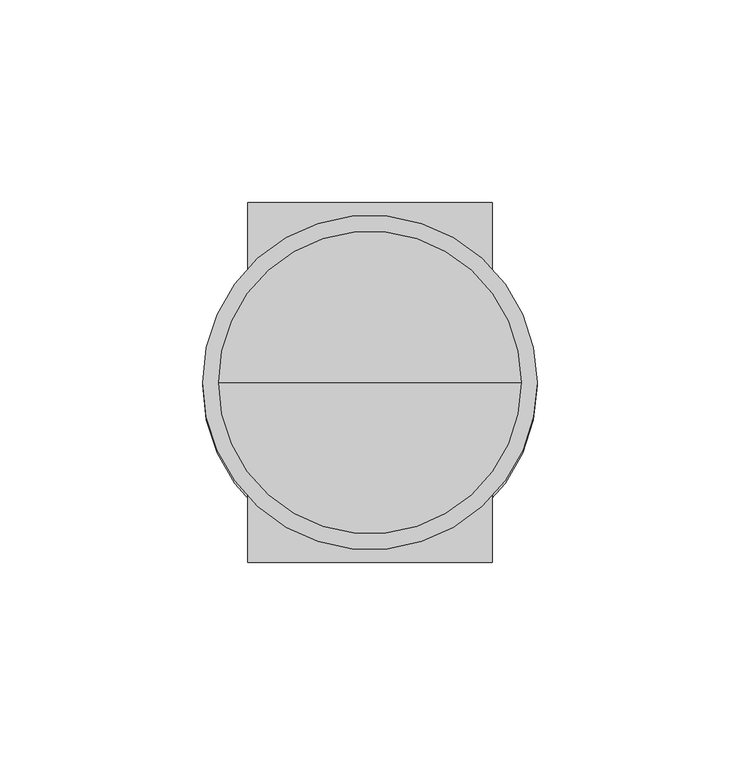
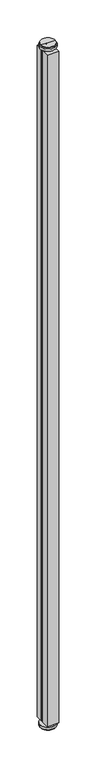
"""IFC4 building model written with IfcOpenShell, lengths in millimetres: furniture geometry."""

from ifc_helpers import new_model, si_unit, point, frame, origin, origin_2d, place, context, project, spatial, polyline, circle_curve, trimmed, segment, composite_curve, outline, extrude, source, transform, mapped, element, save
from ifc_brep_helpers import plane_surface, cylinder_surface, advanced_brep


def furniture_8af79c96(model_context):
    return source(origin(), model_context, "Body", "SolidModel", [
        advanced_brep(
        [(4.7625, 0.0, 31.4452009), (-4.7625, 0.0, 31.4452009), (0.0, 0.0, 31.4452009), (4.7625, 0.0, 12.2681999), (-4.7625, 0.0, 12.2681999), (7.9374998, 0.0, 12.2681999), (-7.9374998, 0.0, 12.2681999), (7.9374998, 0.0, 3.0479999), (-7.9374998, 0.0, 3.0479999), (37.3380007, 0.0, 3.0479999), (-37.3380007, 0.0, 3.0479999), (37.3380007, 0.0, 0.0), (-37.3380007, 0.0, 0.0), (0.0, 0.0, 0.0)],
        [
            (0, 1, circle_curve(frame((0.0, 0.0, 31.4452009), z_axis=(0.0, 0.0, 1.0), x_axis=(-1.0, 0.0, 0.0)), 4.7625)),
            (1, 2),
            (2, 0),
            (1, 0, circle_curve(frame((0.0, 0.0, 31.4452009), z_axis=(0.0, 0.0, 1.0), x_axis=(-1.0, 0.0, 0.0)), 4.7625)),
            (3, 4, circle_curve(frame((0.0, 0.0, 12.2681999), z_axis=(0.0, 0.0, 1.0), x_axis=(-1.0, 0.0, 0.0)), 4.7625)),
            (4, 1),
            (0, 3),
            (4, 3, circle_curve(frame((0.0, 0.0, 12.2681999), z_axis=(0.0, 0.0, 1.0), x_axis=(-1.0, 0.0, 0.0)), 4.7625)),
            (5, 6, circle_curve(frame((0.0, 0.0, 12.2681999), z_axis=(0.0, 0.0, 1.0), x_axis=(-1.0, 0.0, 0.0)), 7.9374998)),
            (6, 4),
            (3, 5),
            (6, 5, circle_curve(frame((0.0, 0.0, 12.2681999), z_axis=(0.0, 0.0, 1.0), x_axis=(-1.0, 0.0, 0.0)), 7.9374998)),
            (7, 8, circle_curve(frame((0.0, 0.0, 3.0479999), z_axis=(0.0, 0.0, 1.0), x_axis=(-1.0, 0.0, 0.0)), 7.9374998)),
            (8, 6),
            (5, 7),
            (8, 7, circle_curve(frame((0.0, 0.0, 3.0479999), z_axis=(0.0, 0.0, 1.0), x_axis=(-1.0, 0.0, 0.0)), 7.9374998)),
            (9, 10, circle_curve(frame((0.0, 0.0, 3.0479999), z_axis=(0.0, 0.0, 1.0), x_axis=(-1.0, 0.0, 0.0)), 37.3380007)),
            (10, 8),
            (7, 9),
            (10, 9, circle_curve(frame((0.0, 0.0, 3.0479999), z_axis=(0.0, 0.0, 1.0), x_axis=(-1.0, 0.0, 0.0)), 37.3380007)),
            (11, 12, circle_curve(frame((0.0, 0.0, 0.0), z_axis=(0.0, 0.0, 1.0), x_axis=(-1.0, 0.0, 0.0)), 37.3380007)),
            (12, 10),
            (9, 11),
            (12, 11, circle_curve(frame((0.0, 0.0, 0.0), z_axis=(0.0, 0.0, 1.0), x_axis=(-1.0, 0.0, 0.0)), 37.3380007)),
            (13, 12),
            (11, 13),
        ],
        [
            plane_surface(frame((0.0, 0.0, 31.4452009), z_axis=(0.0, 0.0, 1.0), x_axis=(-1.0, 0.0, 0.0))),
            cylinder_surface(frame((0.0, 0.0, 44.1452009), z_axis=(0.0, 0.0, -1.0), x_axis=(-1.0, 0.0, 0.0)), 4.7625),
            plane_surface(frame((0.0, 0.0, 12.2681999), z_axis=(0.0, 0.0, 1.0), x_axis=(-1.0, 0.0, 0.0))),
            cylinder_surface(frame((0.0, 0.0, 44.1452009), z_axis=(0.0, 0.0, -1.0), x_axis=(-1.0, 0.0, 0.0)), 7.9374998),
            plane_surface(frame((0.0, 0.0, 3.0479999), z_axis=(0.0, 0.0, 1.0), x_axis=(-1.0, 0.0, 0.0))),
            cylinder_surface(frame((0.0, 0.0, 44.1452009), z_axis=(0.0, 0.0, -1.0), x_axis=(-1.0, 0.0, 0.0)), 37.3380007),
            plane_surface(frame((0.0, 0.0, 0.0), z_axis=(0.0, 0.0, -1.0), x_axis=(-1.0, 0.0, 0.0))),
        ],
        [
            (0, [[1, 2, 3]]),
            (0, [[4, -3, -2]]),
            (1, [[5, 6, -1, 7]]),
            (1, [[8, -7, -4, -6]]),
            (2, [[9, 10, -5, 11]]),
            (2, [[12, -11, -8, -10]]),
            (3, [[13, 14, -9, 15]]),
            (3, [[16, -15, -12, -14]]),
            (4, [[17, 18, -13, 19]]),
            (4, [[20, -19, -16, -18]]),
            (5, [[21, 22, -17, 23]]),
            (5, [[24, -23, -20, -22]]),
            (6, [[25, -21, 26]]),
            (6, [[-26, -24, -25]]),
        ],
    ),
        extrude(outline(composite_curve([segment(trimmed(circle_curve(origin_2d(), 41.2750015), [point((41.2750015, 0.0))], [point((-41.2750015, 0.0))], False, "CARTESIAN"), True, "CONTINUOUS"), segment(trimmed(circle_curve(origin_2d(), 41.2750015), [point((-41.2750015, 0.0))], [point((41.2750015, 0.0))], False, "CARTESIAN"), True, "CONTINUOUS")], self_intersect=False)), frame((0.0, 0.0, 6.3500002), z_axis=(0.0, 0.0, 1.0), x_axis=(1.0, 0.0, 0.0)), (0.0, 0.0, 1.0), 12.6999998),
        advanced_brep(
        [(37.3380007, 0.0, 3720.592), (-37.3380007, 0.0, 3720.592), (0.0, 0.0, 3720.592), (37.3380007, 0.0, 3717.5439302), (-37.3380007, 0.0, 3717.5439302), (7.9374998, 0.0, 3717.5439302), (-7.9374998, 0.0, 3717.5439302), (7.9374998, 0.0, 3708.3237081), (-7.9374998, 0.0, 3708.3237081), (4.7625, 0.0, 3708.3237081), (-4.7625, 0.0, 3708.3237081), (4.7625, 0.0, 3689.1468264), (-4.7625, 0.0, 3689.1468264), (0.0, 0.0, 3689.1468264)],
        [
            (0, 1, circle_curve(frame((0.0, 0.0, 3720.592), z_axis=(0.0, 0.0, 1.0), x_axis=(-1.0, 0.0, 0.0)), 37.3380007)),
            (1, 2),
            (2, 0),
            (1, 0, circle_curve(frame((0.0, 0.0, 3720.592), z_axis=(0.0, 0.0, 1.0), x_axis=(-1.0, 0.0, 0.0)), 37.3380007)),
            (3, 4, circle_curve(frame((0.0, 0.0, 3717.5439302), z_axis=(0.0, 0.0, 1.0), x_axis=(-1.0, 0.0, 0.0)), 37.3380007)),
            (4, 1),
            (0, 3),
            (4, 3, circle_curve(frame((0.0, 0.0, 3717.5439302), z_axis=(0.0, 0.0, 1.0), x_axis=(-1.0, 0.0, 0.0)), 37.3380007)),
            (5, 6, circle_curve(frame((0.0, 0.0, 3717.5439302), z_axis=(0.0, 0.0, 1.0), x_axis=(-1.0, 0.0, 0.0)), 7.9374998)),
            (6, 4),
            (3, 5),
            (6, 5, circle_curve(frame((0.0, 0.0, 3717.5439302), z_axis=(0.0, 0.0, 1.0), x_axis=(-1.0, 0.0, 0.0)), 7.9374998)),
            (7, 8, circle_curve(frame((0.0, 0.0, 3708.3237081), z_axis=(0.0, 0.0, 1.0), x_axis=(-1.0, 0.0, 0.0)), 7.9374998)),
            (8, 6),
            (5, 7),
            (8, 7, circle_curve(frame((0.0, 0.0, 3708.3237081), z_axis=(0.0, 0.0, 1.0), x_axis=(-1.0, 0.0, 0.0)), 7.9374998)),
            (9, 10, circle_curve(frame((0.0, 0.0, 3708.3237081), z_axis=(0.0, 0.0, 1.0), x_axis=(-1.0, 0.0, 0.0)), 4.7625)),
            (10, 8),
            (7, 9),
            (10, 9, circle_curve(frame((0.0, 0.0, 3708.3237081), z_axis=(0.0, 0.0, 1.0), x_axis=(-1.0, 0.0, 0.0)), 4.7625)),
            (11, 12, circle_curve(frame((0.0, 0.0, 3689.1468264), z_axis=(0.0, 0.0, 1.0), x_axis=(-1.0, 0.0, 0.0)), 4.7625)),
            (12, 10),
            (9, 11),
            (12, 11, circle_curve(frame((0.0, 0.0, 3689.1468264), z_axis=(0.0, 0.0, 1.0), x_axis=(-1.0, 0.0, 0.0)), 4.7625)),
            (13, 12),
            (11, 13),
        ],
        [
            plane_surface(frame((0.0, 0.0, 3720.592), z_axis=(0.0, 0.0, 1.0), x_axis=(-1.0, 0.0, 0.0))),
            cylinder_surface(frame((0.0, 0.0, 3720.592), z_axis=(0.0, 0.0, -1.0), x_axis=(-1.0, 0.0, 0.0)), 37.3380007),
            plane_surface(frame((0.0, 0.0, 3717.5439302), z_axis=(0.0, 0.0, -1.0), x_axis=(-1.0, 0.0, 0.0))),
            cylinder_surface(frame((0.0, 0.0, 3720.592), z_axis=(0.0, 0.0, -1.0), x_axis=(-1.0, 0.0, 0.0)), 7.9374998),
            plane_surface(frame((0.0, 0.0, 3708.3237081), z_axis=(0.0, 0.0, -1.0), x_axis=(-1.0, 0.0, 0.0))),
            cylinder_surface(frame((0.0, 0.0, 3720.592), z_axis=(0.0, 0.0, -1.0), x_axis=(-1.0, 0.0, 0.0)), 4.7625),
            plane_surface(frame((0.0, 0.0, 3689.1468264), z_axis=(0.0, 0.0, -1.0), x_axis=(-1.0, 0.0, 0.0))),
        ],
        [
            (0, [[1, 2, 3]]),
            (0, [[4, -3, -2]]),
            (1, [[5, 6, -1, 7]]),
            (1, [[8, -7, -4, -6]]),
            (2, [[9, 10, -5, 11]]),
            (2, [[12, -11, -8, -10]]),
            (3, [[13, 14, -9, 15]]),
            (3, [[16, -15, -12, -14]]),
            (4, [[17, 18, -13, 19]]),
            (4, [[20, -19, -16, -18]]),
            (5, [[21, 22, -17, 23]]),
            (5, [[24, -23, -20, -22]]),
            (6, [[25, -21, 26]]),
            (6, [[-26, -24, -25]]),
        ],
    ),
        extrude(outline(composite_curve([segment(trimmed(circle_curve(origin_2d(), 41.2750015), [point((41.2750015, 0.0))], [point((-41.2750015, 0.0))], False, "CARTESIAN"), True, "CONTINUOUS"), segment(trimmed(circle_curve(origin_2d(), 41.2750015), [point((-41.2750015, 0.0))], [point((41.2750015, 0.0))], False, "CARTESIAN"), True, "CONTINUOUS")], self_intersect=False)), frame((0.0, 0.0, 3701.542), z_axis=(0.0, 0.0, 1.0), x_axis=(1.0, 0.0, 0.0)), (0.0, 0.0, 1.0), 12.7000969),
        extrude(outline(polyline([(-30.1625008, -44.4499985), (-30.1625008, -5.9562998), (-26.9874992, -5.9562998), (-26.9874992, -20.9098724), (-19.3294002, -13.2517722), (-19.3294002, 13.2517722), (-26.9874992, 20.9098724), (-26.9874992, 5.9562998), (-30.1625008, 5.9562998), (-30.1625008, 44.45), (30.1625008, 44.45), (30.1625008, 5.9562998), (26.9874992, 5.9562998), (26.9874992, 20.9098724), (19.3294002, 13.2517722), (19.3294002, -13.2517722), (26.9874992, -20.9098724), (26.9874992, -5.9562998), (30.1625008, -5.9562998), (30.1625008, -44.4499985), (-30.1625008, -44.4499985)])), frame((0.0, 0.0, 31.4452009), z_axis=(0.0, 0.0, 1.0), x_axis=(1.0, 0.0, 0.0)), (0.0, 0.0, 1.0), 3657.7016255),
    ])


if __name__ == "__main__":
    model = new_model("IFC4")
    model_context = context("Model", 3, world=origin())
    ifc_project = project(units=[si_unit("LENGTHUNIT", "METRE", prefix="MILLI")], contexts=[model_context])
    site = spatial("IfcSite", under=ifc_project)
    building = spatial("IfcBuilding", under=site)
    placement = place(None, origin())
    furniture_shape = furniture_8af79c96(model_context)
    element("IfcFurniture", 1, at=placement, inside=building, context=model_context, shape_type="MappedRepresentation", body=[
        mapped(furniture_shape, transform((0.0, 0.0, 0.0), x_axis=(1.0, 0.0, 0.0), y_axis=(0.0, 1.0, 0.0), z_axis=(0.0, 0.0, 1.0))),
    ])
    save(model, "model.ifc")
